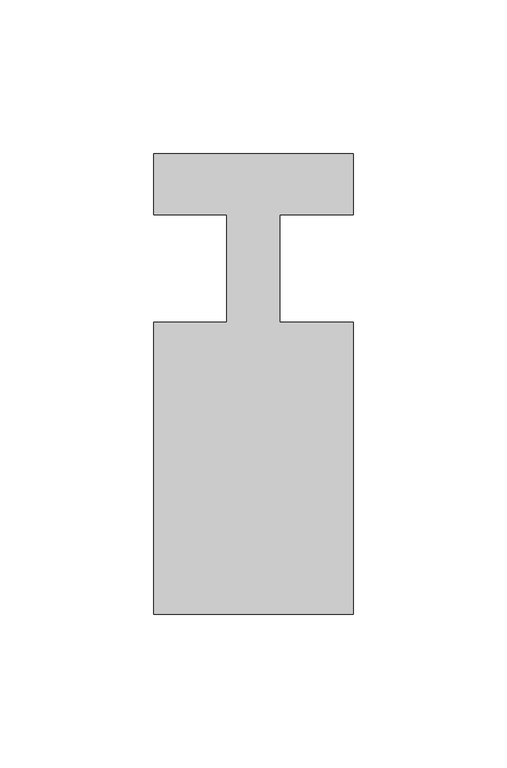
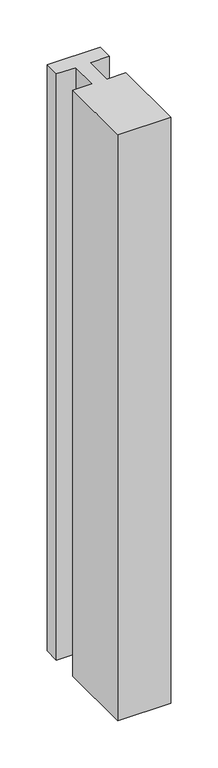
"""IFC4 building model written with IfcOpenShell, lengths in millimetres: member geometry."""

from ifc_helpers import new_model, si_unit, frame, origin, place, context, project, spatial, polyline, outline, extrude, source, transform, mapped, element, save


def member_cb68d2c4(model_context):
    return source(origin(), model_context, "Body", "SweptSolid", [
        extrude(outline(polyline([(0.0, 37.0), (0.0, 17.0), (-23.8125, 17.0), (-23.8125, -18.0), (0.0, -18.0), (0.0, -113.0), (-65.0, -113.0), (-65.0, -18.0), (-41.1875, -18.0), (-41.1875, 17.0), (-65.0, 17.0), (-65.0, 37.0), (0.0, 37.0)])), frame((0.0, 0.0, -760.0), z_axis=(0.0, 0.0, 1.0), x_axis=(1.0, 0.0, 0.0)), (0.0, 0.0, 1.0), 760.0),
    ])


if __name__ == "__main__":
    model = new_model("IFC4")
    model_context = context("Model", 3, world=origin())
    ifc_project = project(units=[si_unit("LENGTHUNIT", "METRE", prefix="MILLI")], contexts=[model_context])
    site = spatial("IfcSite", under=ifc_project)
    building = spatial("IfcBuilding", under=site)
    placement = place(None, origin())
    member_shape = member_cb68d2c4(model_context)
    element("IfcMember", 1, at=placement, inside=building, context=model_context, shape_type="MappedRepresentation", body=[
        mapped(member_shape, transform((0.0, 0.0, 0.0), x_axis=(1.0, 0.0, 0.0), y_axis=(0.0, 1.0, 0.0), z_axis=(0.0, 0.0, 1.0))),
    ])
    save(model, "model.ifc")
